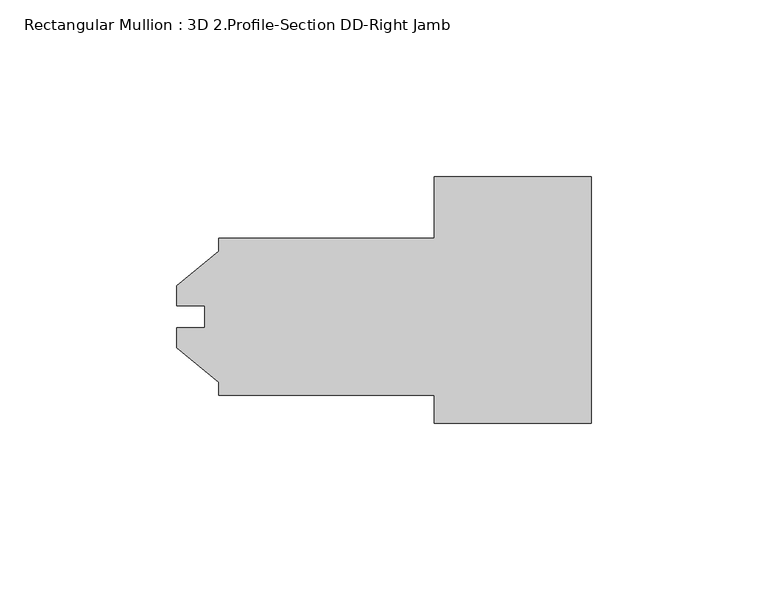
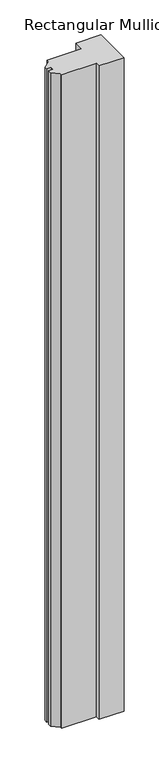
"""IFC4 building model written with IfcOpenShell, lengths in millimetres: member geometry, Rectangular Mullion : 3D 2.Profile-Section DD-Right Jamb."""

from ifc_helpers import new_model, si_unit, frame, origin, place, context, project, spatial, polyline, outline, extrude, source, transform, mapped, element, save


def rectangular_mullion_3d_2_profile_section_dd_right_jamb_9813a5d7(model_context):
    return source(origin(), model_context, "Body", "SweptSolid", [
        extrude(outline(polyline([(0.0, 39.6875), (0.0, -30.1625), (-44.45, -30.1625), (-44.45, -22.225), (-105.5624, -22.225), (-105.5624, -18.518836), (-117.46865, -8.7503), (-117.46865, -3.175), (-109.5248, -3.175), (-109.5248, 3.175), (-117.46865, 3.175), (-117.46865, 8.7503), (-105.5624, 18.518836), (-105.5624, 22.225), (-44.45, 22.225), (-44.45, 39.6875), (0.0, 39.6875)])), frame((0.0, 0.0, -1219.2), z_axis=(0.0, 0.0, 1.0), x_axis=(1.0, 0.0, 0.0)), (0.0, 0.0, 1.0), 1219.2),
    ])


if __name__ == "__main__":
    model = new_model("IFC4")
    model_context = context("Model", 3, world=origin())
    ifc_project = project(units=[si_unit("LENGTHUNIT", "METRE", prefix="MILLI")], contexts=[model_context])
    site = spatial("IfcSite", under=ifc_project)
    building = spatial("IfcBuilding", under=site)
    placement = place(None, origin())
    rectangular_mullion_3d_2_profile_section_dd_right_jamb_shape = rectangular_mullion_3d_2_profile_section_dd_right_jamb_9813a5d7(model_context)
    element("IfcMember", 1, ObjectType="Rectangular Mullion : 3D 2.Profile-Section DD-Right Jamb", at=placement, inside=building, context=model_context, shape_type="MappedRepresentation", body=[
        mapped(rectangular_mullion_3d_2_profile_section_dd_right_jamb_shape, transform((0.0, 0.0, 0.0), x_axis=(1.0, 0.0, 0.0), y_axis=(0.0, 1.0, 0.0), z_axis=(0.0, 0.0, 1.0))),
    ])
    save(model, "model.ifc")
